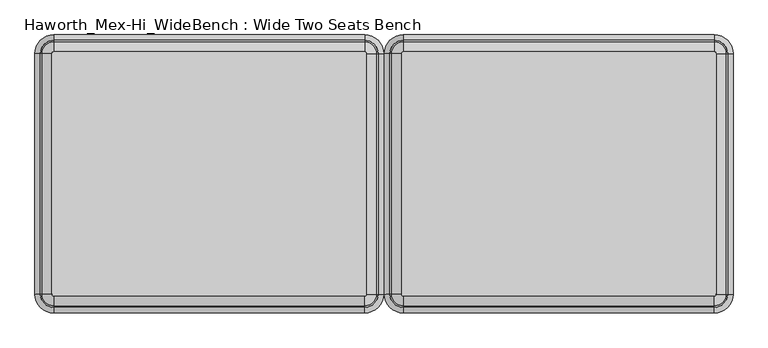
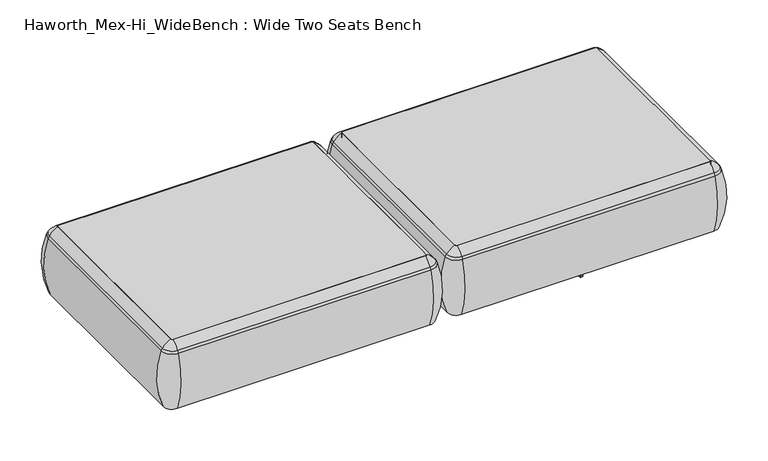
"""IFC4 building model written with IfcOpenShell, lengths in millimetres: furniture geometry, Haworth_Mex-Hi_WideBench : Wide Two Seats Bench."""

from ifc_helpers import new_model, si_unit, point, frame, frame_2d, origin, place, context, project, spatial, polyline, circle_curve, ellipse_curve, trimmed, segment, composite_curve, outline, extrude, source, transform, mapped, element, save
from ifc_brep_helpers import plane_surface, cylinder_surface, revolved_surface, advanced_brep


def haworth_mex_hi_widebench_wide_two_seats_bench_22a17a26(model_context):
    return source(origin(), model_context, "Body", "SolidModel", [
        extrude(outline(composite_curve([segment(trimmed(circle_curve(frame_2d((885.0815868, -668.4794123)), 5.2798073), [point((890.3613941, -668.4794123))], [point((885.0815868, -673.7592195))], False, "CARTESIAN"), True, "CONTINUOUS"), segment(polyline([(885.0815868, -673.7592195), (-94.0884132, -673.7592195)]), True, "CONTINUOUS"), segment(trimmed(circle_curve(frame_2d((-94.0884132, -668.4794123)), 5.2798073), [point((-94.0884132, -673.7592195))], [point((-99.3682204, -668.4794123))], False, "CARTESIAN"), True, "CONTINUOUS"), segment(polyline([(-99.3682204, -668.4794123), (-99.3682204, 89.8571486)]), True, "CONTINUOUS"), segment(trimmed(circle_curve(frame_2d((-94.0884132, 89.8571486)), 5.2798073), [point((-99.3682204, 89.8571486))], [point((-94.0884132, 95.1369558))], False, "CARTESIAN"), True, "CONTINUOUS"), segment(polyline([(-94.0884132, 95.1369558), (885.0815868, 95.1369558)]), True, "CONTINUOUS"), segment(trimmed(circle_curve(frame_2d((885.0815868, 89.8571486)), 5.2798073), [point((885.0815868, 95.1369558))], [point((890.3613941, 89.8571486))], False, "CARTESIAN"), True, "CONTINUOUS"), segment(polyline([(890.3613941, 89.8571486), (890.3613941, -668.4794123)]), True, "CONTINUOUS")], self_intersect=False)), frame((0.0, 0.0, 123.9999984), z_axis=(0.0, 0.0, 1.0), x_axis=(1.0, 0.0, 0.0)), (0.0, 0.0, 1.0), 266.3914023),
        advanced_brep(
        [(-99.3682204, -668.4794123, 390.3914007), (-94.0884132, -673.7592195, 390.3914007), (-94.0884132, -673.7592195, 123.9999984), (-99.3682204, -668.4794123, 123.9999984), (-128.0562646, -668.4794123, 123.9999984), (-94.0884132, -702.4472637, 123.9999984), (-94.0884132, -710.1267287, 353.7769053), (-135.7357296, -668.4794123, 353.7769053), (-99.3682204, 89.8571486, 123.9999984), (-99.3682204, 89.8571486, 390.3914007), (-135.7357296, 89.8571486, 353.7769053), (-128.0562646, 89.8571486, 123.9999984), (-94.0884132, 95.1369558, 390.3914007), (-94.0884132, 95.1369558, 123.9999984), (-94.0884132, 123.825, 123.9999984), (-94.0884132, 131.504465, 353.7769053), (885.0815868, 95.1369558, 123.9999984), (885.0815868, 95.1369558, 390.3914007), (885.0815868, 131.504465, 353.7769053), (885.0815868, 123.825, 123.9999984), (890.3613941, 89.8571486, 390.3914007), (890.3613941, 89.8571486, 123.9999984), (919.0494383, 89.8571486, 123.9999984), (926.7289033, 89.8571486, 353.7769053), (890.3613941, -668.4794123, 123.9999984), (890.3613941, -668.4794123, 390.3914007), (926.7289033, -668.4794123, 353.7769053), (919.0494383, -668.4794123, 123.9999984), (885.0815868, -673.7592195, 390.3914007), (885.0815868, -673.7592195, 123.9999984), (885.0815868, -702.4472637, 123.9999984), (885.0815868, -710.1267287, 353.7769053), (-130.5172697, -668.4794123, 363.6402875), (-94.0884132, -704.9082688, 363.6402875), (-130.5172697, 89.8571486, 363.6402875), (-94.0884132, 126.2860051, 363.6402875), (885.0815868, 126.2860051, 363.6402875), (921.5104434, 89.8571486, 363.6402875), (921.5104434, -668.4794123, 363.6402875), (885.0815868, -704.9082688, 363.6402875)],
        [
            (0, 1, circle_curve(frame((-94.0884132, -668.4794123, 390.3914007), z_axis=(0.0, 0.0, 1.0), x_axis=(0.0, -1.0, 0.0)), 5.2798073)),
            (1, 2),
            (2, 3, circle_curve(frame((-94.0884132, -668.4794123, 123.9999984), z_axis=(0.0, 0.0, -1.0), x_axis=(0.0, -1.0, 0.0)), 5.2798073)),
            (3, 0),
            (4, 5, circle_curve(frame((-94.0884132, -668.4794123, 123.9999984), z_axis=(0.0, 0.0, 1.0), x_axis=(0.0, -1.0, 0.0)), 33.9678514)),
            (5, 6, circle_curve(frame((-94.0884132, -406.0729797, 248.9220234), z_axis=(-1.0, 0.0, 0.0), x_axis=(0.0, -1.0, 0.0)), 321.625914)),
            (6, 7, circle_curve(frame((-94.0884132, -668.4794123, 353.7769053), z_axis=(0.0, 0.0, -1.0), x_axis=(0.0, -1.0, 0.0)), 41.6473165)),
            (7, 4, circle_curve(frame((168.3180194, -668.4794123, 248.9220234), z_axis=(0.0, -1.0, 0.0), x_axis=(-1.0, 0.0, 0.0)), 321.625914)),
            (3, 8),
            (8, 9),
            (9, 0),
            (7, 10),
            (10, 11, circle_curve(frame((168.3180194, 89.8571486, 248.9220234), z_axis=(0.0, -1.0, 0.0), x_axis=(-1.0, 0.0, 0.0)), 321.625914)),
            (11, 4),
            (12, 9, circle_curve(frame((-94.0884132, 89.8571486, 390.3914007), z_axis=(0.0, 0.0, 1.0), x_axis=(-1.0, 0.0, 0.0)), 5.2798073)),
            (8, 13, circle_curve(frame((-94.0884132, 89.8571486, 123.9999984), z_axis=(0.0, 0.0, -1.0), x_axis=(-1.0, 0.0, 0.0)), 5.2798073)),
            (13, 12),
            (14, 11, circle_curve(frame((-94.0884132, 89.8571486, 123.9999984), z_axis=(0.0, 0.0, 1.0), x_axis=(-1.0, 0.0, 0.0)), 33.9678514)),
            (10, 15, circle_curve(frame((-94.0884132, 89.8571486, 353.7769053), z_axis=(0.0, 0.0, -1.0), x_axis=(-1.0, 0.0, 0.0)), 41.6473165)),
            (15, 14, circle_curve(frame((-94.0884132, -172.549284, 248.9220234), z_axis=(-1.0, 0.0, 0.0), x_axis=(0.0, 1.0, 0.0)), 321.625914)),
            (13, 16),
            (16, 17),
            (17, 12),
            (15, 18),
            (18, 19, circle_curve(frame((885.0815868, -172.549284, 248.9220234), z_axis=(-1.0, 0.0, 0.0), x_axis=(0.0, 1.0, 0.0)), 321.625914)),
            (19, 14),
            (20, 17, circle_curve(frame((885.0815868, 89.8571486, 390.3914007), z_axis=(0.0, 0.0, 1.0), x_axis=(0.0, 1.0, 0.0)), 5.2798073)),
            (16, 21, circle_curve(frame((885.0815868, 89.8571486, 123.9999984), z_axis=(0.0, 0.0, -1.0), x_axis=(0.0, 1.0, 0.0)), 5.2798073)),
            (21, 20),
            (22, 19, circle_curve(frame((885.0815868, 89.8571486, 123.9999984), z_axis=(0.0, 0.0, 1.0), x_axis=(0.0, 1.0, 0.0)), 33.9678514)),
            (18, 23, circle_curve(frame((885.0815868, 89.8571486, 353.7769053), z_axis=(0.0, 0.0, -1.0), x_axis=(0.0, 1.0, 0.0)), 41.6473165)),
            (23, 22, circle_curve(frame((622.6751543, 89.8571486, 248.9220234), z_axis=(0.0, 1.0, 0.0), x_axis=(1.0, 0.0, 0.0)), 321.625914)),
            (21, 24),
            (24, 25),
            (25, 20),
            (23, 26),
            (26, 27, circle_curve(frame((622.6751543, -668.4794123, 248.9220234), z_axis=(0.0, 1.0, 0.0), x_axis=(1.0, 0.0, 0.0)), 321.625914)),
            (27, 22),
            (28, 25, circle_curve(frame((885.0815868, -668.4794123, 390.3914007), z_axis=(0.0, 0.0, 1.0), x_axis=(1.0, 0.0, 0.0)), 5.2798073)),
            (24, 29, circle_curve(frame((885.0815868, -668.4794123, 123.9999984), z_axis=(0.0, 0.0, -1.0), x_axis=(1.0, 0.0, 0.0)), 5.2798073)),
            (29, 28),
            (30, 27, circle_curve(frame((885.0815868, -668.4794123, 123.9999984), z_axis=(0.0, 0.0, 1.0), x_axis=(1.0, 0.0, 0.0)), 33.9678514)),
            (26, 31, circle_curve(frame((885.0815868, -668.4794123, 353.7769053), z_axis=(0.0, 0.0, -1.0), x_axis=(1.0, 0.0, 0.0)), 41.6473165)),
            (31, 30, circle_curve(frame((885.0815868, -406.0729797, 248.9220234), z_axis=(1.0, 0.0, 0.0), x_axis=(0.0, -1.0, 0.0)), 321.625914)),
            (30, 5),
            (2, 29),
            (1, 28),
            (31, 6),
            (32, 33, circle_curve(frame((-94.0884132, -668.4794123, 363.6402875), z_axis=(0.0, 0.0, 1.0), x_axis=(0.0, -1.0, 0.0)), 36.4288566)),
            (33, 1, circle_curve(frame((-94.0884132, -629.5266, 307.3762868), z_axis=(-1.0, 0.0, 0.0), x_axis=(0.0, -1.0, 0.0)), 94.0639876)),
            (0, 32, circle_curve(frame((-55.1356009, -668.4794123, 307.3762868), z_axis=(0.0, -1.0, 0.0), x_axis=(-1.0, 0.0, 0.0)), 94.0639876)),
            (6, 33, circle_curve(frame((-94.0884132, -675.8620096, 341.9604975), z_axis=(-1.0, 0.0, 0.0), x_axis=(0.0, -1.0, 0.0)), 36.2449785)),
            (32, 7, circle_curve(frame((-101.4710105, -668.4794123, 341.9604975), z_axis=(0.0, -1.0, 0.0), x_axis=(-1.0, 0.0, 0.0)), 36.2449785)),
            (9, 34, circle_curve(frame((-55.1356009, 89.8571486, 307.3762868), z_axis=(0.0, -1.0, 0.0), x_axis=(-1.0, 0.0, 0.0)), 94.0639876)),
            (34, 32),
            (34, 10, circle_curve(frame((-101.4710105, 89.8571486, 341.9604975), z_axis=(0.0, -1.0, 0.0), x_axis=(-1.0, 0.0, 0.0)), 36.2449785)),
            (35, 34, circle_curve(frame((-94.0884132, 89.8571486, 363.6402875), z_axis=(0.0, 0.0, 1.0), x_axis=(-1.0, 0.0, 0.0)), 36.4288566)),
            (12, 35, circle_curve(frame((-94.0884132, 50.9043363, 307.3762868), z_axis=(-1.0, 0.0, 0.0), x_axis=(0.0, 1.0, 0.0)), 94.0639876)),
            (35, 15, circle_curve(frame((-94.0884132, 97.2397459, 341.9604975), z_axis=(-1.0, 0.0, 0.0), x_axis=(0.0, 1.0, 0.0)), 36.2449785)),
            (17, 36, circle_curve(frame((885.0815868, 50.9043363, 307.3762868), z_axis=(-1.0, 0.0, 0.0), x_axis=(0.0, 1.0, 0.0)), 94.0639876)),
            (36, 35),
            (36, 18, circle_curve(frame((885.0815868, 97.2397459, 341.9604975), z_axis=(-1.0, 0.0, 0.0), x_axis=(0.0, 1.0, 0.0)), 36.2449785)),
            (37, 36, circle_curve(frame((885.0815868, 89.8571486, 363.6402875), z_axis=(0.0, 0.0, 1.0), x_axis=(0.0, 1.0, 0.0)), 36.4288566)),
            (20, 37, circle_curve(frame((846.1287746, 89.8571486, 307.3762868), z_axis=(0.0, 1.0, 0.0), x_axis=(1.0, 0.0, 0.0)), 94.0639876)),
            (37, 23, circle_curve(frame((892.4641842, 89.8571486, 341.9604975), z_axis=(0.0, 1.0, 0.0), x_axis=(1.0, 0.0, 0.0)), 36.2449785)),
            (25, 38, circle_curve(frame((846.1287746, -668.4794123, 307.3762868), z_axis=(0.0, 1.0, 0.0), x_axis=(1.0, 0.0, 0.0)), 94.0639876)),
            (38, 37),
            (38, 26, circle_curve(frame((892.4641842, -668.4794123, 341.9604975), z_axis=(0.0, 1.0, 0.0), x_axis=(1.0, 0.0, 0.0)), 36.2449785)),
            (39, 38, circle_curve(frame((885.0815868, -668.4794123, 363.6402875), z_axis=(0.0, 0.0, 1.0), x_axis=(1.0, 0.0, 0.0)), 36.4288566)),
            (28, 39, circle_curve(frame((885.0815868, -629.5266, 307.3762868), z_axis=(1.0, 0.0, 0.0), x_axis=(0.0, -1.0, 0.0)), 94.0639876)),
            (39, 31, circle_curve(frame((885.0815868, -675.8620096, 341.9604975), z_axis=(1.0, 0.0, 0.0), x_axis=(0.0, -1.0, 0.0)), 36.2449785)),
            (33, 39),
        ],
        [
            revolved_surface(polyline([(-94.0884132, -673.7592196, 123.9999984), (-94.0884132, -673.7592196, 390.3914007)]), (-94.0884132, -668.4794123, 0.0), (0.0, 0.0, -1.0)),
            revolved_surface(trimmed(ellipse_curve(frame((-94.0884132, -406.0729797, 248.9220234), z_axis=(1.0, 0.0, 0.0), x_axis=(0.0, -1.0, 0.0)), 321.625914, 321.625914), [point((-94.0884132, -710.1267287, 353.7769053))], [point((-94.0884132, -702.4472637, 123.9999984))], True, "CARTESIAN"), (-94.0884132, -668.4794123, 0.0), (0.0, 0.0, -1.0)),
            plane_surface(frame((-99.3682204, -668.4794123, 123.9999984), z_axis=(1.0, 0.0, 0.0), x_axis=(0.0, 1.0, 0.0))),
            cylinder_surface(frame((168.3180194, -668.4794123, 248.9220234), z_axis=(0.0, -1.0, 0.0), x_axis=(-1.0, 0.0, 0.0)), 321.625914),
            revolved_surface(polyline([(-99.3682205, 89.8571486, 123.9999984), (-99.3682205, 89.8571486, 390.3914007)]), (-94.0884132, 89.8571486, 0.0), (0.0, 0.0, -1.0)),
            revolved_surface(trimmed(ellipse_curve(frame((168.3180194, 89.8571486, 248.9220234), z_axis=(0.0, -1.0, 0.0), x_axis=(-1.0, 0.0, 0.0)), 321.625914, 321.625914), [point((-135.7357296, 89.8571486, 353.7769053))], [point((-128.0562646, 89.8571486, 123.9999984))], True, "CARTESIAN"), (-94.0884132, 89.8571486, 0.0), (0.0, 0.0, -1.0)),
            plane_surface(frame((-94.0884132, 95.1369558, 123.9999984), z_axis=(0.0, -1.0, 0.0), x_axis=(1.0, 0.0, 0.0))),
            cylinder_surface(frame((-94.0884132, -172.549284, 248.9220234), z_axis=(-1.0, 0.0, 0.0), x_axis=(0.0, 1.0, 0.0)), 321.625914),
            revolved_surface(polyline([(885.0815868, 95.1369559, 123.9999984), (885.0815868, 95.1369559, 390.3914007)]), (885.0815868, 89.8571486, 0.0), (0.0, 0.0, -1.0)),
            revolved_surface(trimmed(ellipse_curve(frame((885.0815868, -172.549284, 248.9220234), z_axis=(-1.0, 0.0, 0.0), x_axis=(0.0, 1.0, 0.0)), 321.625914, 321.625914), [point((885.0815868, 131.504465, 353.7769053))], [point((885.0815868, 123.825, 123.9999984))], True, "CARTESIAN"), (885.0815868, 89.8571486, 0.0), (0.0, 0.0, -1.0)),
            plane_surface(frame((890.3613941, 89.8571486, 123.9999984), z_axis=(-1.0, 0.0, 0.0), x_axis=(0.0, -1.0, 0.0))),
            cylinder_surface(frame((622.6751543, 89.8571486, 248.9220234), z_axis=(0.0, 1.0, 0.0), x_axis=(1.0, 0.0, 0.0)), 321.625914),
            revolved_surface(polyline([(890.3613941, -668.4794123, 123.9999984), (890.3613941, -668.4794123, 390.3914007)]), (885.0815868, -668.4794123, 0.0), (0.0, 0.0, -1.0)),
            revolved_surface(trimmed(ellipse_curve(frame((622.6751543, -668.4794123, 248.9220234), z_axis=(0.0, 1.0, 0.0), x_axis=(1.0, 0.0, 0.0)), 321.625914, 321.625914), [point((926.7289033, -668.4794123, 353.7769053))], [point((919.0494383, -668.4794123, 123.9999984))], True, "CARTESIAN"), (885.0815868, -668.4794123, 0.0), (0.0, 0.0, -1.0)),
            plane_surface(frame((885.0815868, -702.4472637, 123.9999984), z_axis=(0.0, 0.0, -1.0), x_axis=(-1.0, 0.0, 0.0))),
            plane_surface(frame((885.0815868, -673.7592195, 123.9999984), z_axis=(0.0, 1.0, 0.0), x_axis=(-1.0, 0.0, 0.0))),
            cylinder_surface(frame((885.0815868, -406.0729797, 248.9220234), z_axis=(1.0, 0.0, 0.0), x_axis=(0.0, -1.0, 0.0)), 321.625914),
            revolved_surface(trimmed(ellipse_curve(frame((-94.0884132, -629.5266, 307.3762868), z_axis=(1.0, 0.0, 0.0), x_axis=(0.0, -1.0, 0.0)), 94.0639876, 94.0639876), [point((-94.0884132, -673.7592195, 390.3914007))], [point((-94.0884132, -704.9082688, 363.6402875))], True, "CARTESIAN"), (-94.0884132, -668.4794123, 0.0), (0.0, 0.0, -1.0)),
            revolved_surface(trimmed(ellipse_curve(frame((-94.0884132, -675.8620096, 341.9604975), z_axis=(1.0, 0.0, 0.0), x_axis=(0.0, -1.0, 0.0)), 36.2449785, 36.2449785), [point((-94.0884132, -704.9082688, 363.6402875))], [point((-94.0884132, -710.1267287, 353.7769053))], True, "CARTESIAN"), (-94.0884132, -668.4794123, 0.0), (0.0, 0.0, -1.0)),
            cylinder_surface(frame((-55.1356009, -668.4794123, 307.3762868), z_axis=(0.0, -1.0, 0.0), x_axis=(-1.0, 0.0, 0.0)), 94.0639876),
            cylinder_surface(frame((-101.4710105, -668.4794123, 341.9604975), z_axis=(0.0, -1.0, 0.0), x_axis=(-1.0, 0.0, 0.0)), 36.2449785),
            revolved_surface(trimmed(ellipse_curve(frame((-55.1356009, 89.8571486, 307.3762868), z_axis=(0.0, -1.0, 0.0), x_axis=(-1.0, 0.0, 0.0)), 94.0639876, 94.0639876), [point((-99.3682204, 89.8571486, 390.3914007))], [point((-130.5172697, 89.8571486, 363.6402875))], True, "CARTESIAN"), (-94.0884132, 89.8571486, 0.0), (0.0, 0.0, -1.0)),
            revolved_surface(trimmed(ellipse_curve(frame((-101.4710105, 89.8571486, 341.9604975), z_axis=(0.0, -1.0, 0.0), x_axis=(-1.0, 0.0, 0.0)), 36.2449785, 36.2449785), [point((-130.5172697, 89.8571486, 363.6402875))], [point((-135.7357296, 89.8571486, 353.7769053))], True, "CARTESIAN"), (-94.0884132, 89.8571486, 0.0), (0.0, 0.0, -1.0)),
            cylinder_surface(frame((-94.0884132, 50.9043363, 307.3762868), z_axis=(-1.0, 0.0, 0.0), x_axis=(0.0, 1.0, 0.0)), 94.0639876),
            cylinder_surface(frame((-94.0884132, 97.2397459, 341.9604975), z_axis=(-1.0, 0.0, 0.0), x_axis=(0.0, 1.0, 0.0)), 36.2449785),
            revolved_surface(trimmed(ellipse_curve(frame((885.0815868, 50.9043363, 307.3762868), z_axis=(-1.0, 0.0, 0.0), x_axis=(0.0, 1.0, 0.0)), 94.0639876, 94.0639876), [point((885.0815868, 95.1369558, 390.3914007))], [point((885.0815868, 126.2860051, 363.6402875))], True, "CARTESIAN"), (885.0815868, 89.8571486, 0.0), (0.0, 0.0, -1.0)),
            revolved_surface(trimmed(ellipse_curve(frame((885.0815868, 97.2397459, 341.9604975), z_axis=(-1.0, 0.0, 0.0), x_axis=(0.0, 1.0, 0.0)), 36.2449785, 36.2449785), [point((885.0815868, 126.2860051, 363.6402875))], [point((885.0815868, 131.504465, 353.7769053))], True, "CARTESIAN"), (885.0815868, 89.8571486, 0.0), (0.0, 0.0, -1.0)),
            cylinder_surface(frame((846.1287746, 89.8571486, 307.3762868), z_axis=(0.0, 1.0, 0.0), x_axis=(1.0, 0.0, 0.0)), 94.0639876),
            cylinder_surface(frame((892.4641842, 89.8571486, 341.9604975), z_axis=(0.0, 1.0, 0.0), x_axis=(1.0, 0.0, 0.0)), 36.2449785),
            revolved_surface(trimmed(ellipse_curve(frame((846.1287746, -668.4794123, 307.3762868), z_axis=(0.0, 1.0, 0.0), x_axis=(1.0, 0.0, 0.0)), 94.0639876, 94.0639876), [point((890.3613941, -668.4794123, 390.3914007))], [point((921.5104434, -668.4794123, 363.6402875))], True, "CARTESIAN"), (885.0815868, -668.4794123, 0.0), (0.0, 0.0, -1.0)),
            revolved_surface(trimmed(ellipse_curve(frame((892.4641842, -668.4794123, 341.9604975), z_axis=(0.0, 1.0, 0.0), x_axis=(1.0, 0.0, 0.0)), 36.2449785, 36.2449785), [point((921.5104434, -668.4794123, 363.6402875))], [point((926.7289033, -668.4794123, 353.7769053))], True, "CARTESIAN"), (885.0815868, -668.4794123, 0.0), (0.0, 0.0, -1.0)),
            cylinder_surface(frame((885.0815868, -629.5266, 307.3762868), z_axis=(1.0, 0.0, 0.0), x_axis=(0.0, -1.0, 0.0)), 94.0639876),
            cylinder_surface(frame((885.0815868, -675.8620096, 341.9604975), z_axis=(1.0, 0.0, 0.0), x_axis=(0.0, -1.0, 0.0)), 36.2449785),
        ],
        [
            (0, [[1, 2, 3, 4]]),
            (1, [[5, 6, 7, 8]]),
            (2, [[-4, 9, 10, 11]]),
            (3, [[-8, 12, 13, 14]]),
            (4, [[15, -10, 16, 17]]),
            (5, [[18, -13, 19, 20]]),
            (6, [[-17, 21, 22, 23]]),
            (7, [[-20, 24, 25, 26]]),
            (8, [[27, -22, 28, 29]]),
            (9, [[30, -25, 31, 32]]),
            (10, [[-29, 33, 34, 35]]),
            (11, [[-32, 36, 37, 38]]),
            (12, [[39, -34, 40, 41]]),
            (13, [[42, -37, 43, 44]]),
            (14, [[-38, -42, 45, -5, -14, -18, -26, -30], [46, -40, -33, -28, -21, -16, -9, -3]]),
            (15, [[-41, -46, -2, 47]]),
            (16, [[-44, 48, -6, -45]]),
            (17, [[49, 50, -1, 51]]),
            (18, [[-7, 52, -49, 53]]),
            (19, [[-51, -11, 54, 55]]),
            (20, [[-53, -55, 56, -12]]),
            (21, [[57, -54, -15, 58]]),
            (22, [[-19, -56, -57, 59]]),
            (23, [[-58, -23, 60, 61]]),
            (24, [[-59, -61, 62, -24]]),
            (25, [[63, -60, -27, 64]]),
            (26, [[-31, -62, -63, 65]]),
            (27, [[-64, -35, 66, 67]]),
            (28, [[-65, -67, 68, -36]]),
            (29, [[69, -66, -39, 70]]),
            (30, [[-43, -68, -69, 71]]),
            (31, [[-70, -47, -50, 72]]),
            (32, [[-71, -72, -52, -48]]),
        ],
    ),
        extrude(outline(composite_curve([segment(trimmed(circle_curve(frame_2d((-215.0888998, -668.4794123)), 5.2798073), [point((-209.8090925, -668.4794123))], [point((-215.0888998, -673.7592195))], False, "CARTESIAN"), True, "CONTINUOUS"), segment(polyline([(-215.0888998, -673.7592195), (-1194.2588998, -673.7592195)]), True, "CONTINUOUS"), segment(trimmed(circle_curve(frame_2d((-1194.2588998, -668.4794123)), 5.2798073), [point((-1194.2588998, -673.7592195))], [point((-1199.538707, -668.4794123))], False, "CARTESIAN"), True, "CONTINUOUS"), segment(polyline([(-1199.538707, -668.4794123), (-1199.538707, 89.8571486)]), True, "CONTINUOUS"), segment(trimmed(circle_curve(frame_2d((-1194.2588998, 89.8571486)), 5.2798073), [point((-1199.538707, 89.8571486))], [point((-1194.2588998, 95.1369558))], False, "CARTESIAN"), True, "CONTINUOUS"), segment(polyline([(-1194.2588998, 95.1369558), (-215.0888998, 95.1369558)]), True, "CONTINUOUS"), segment(trimmed(circle_curve(frame_2d((-215.0888998, 89.8571486)), 5.2798073), [point((-215.0888998, 95.1369558))], [point((-209.8090925, 89.8571486))], False, "CARTESIAN"), True, "CONTINUOUS"), segment(polyline([(-209.8090925, 89.8571486), (-209.8090925, -668.4794123)]), True, "CONTINUOUS")], self_intersect=False)), frame((0.0, 0.0, 123.9999984), z_axis=(0.0, 0.0, 1.0), x_axis=(1.0, 0.0, 0.0)), (0.0, 0.0, 1.0), 266.3914023),
        advanced_brep(
        [(-1199.538707, -668.4794123, 390.3914007), (-1194.2588998, -673.7592195, 390.3914007), (-1194.2588998, -673.7592195, 123.9999984), (-1199.538707, -668.4794123, 123.9999984), (-1228.2267512, -668.4794123, 123.9999984), (-1194.2588998, -702.4472637, 123.9999984), (-1194.2588998, -710.1267287, 353.7769053), (-1235.9062162, -668.4794123, 353.7769053), (-1199.538707, 89.8571486, 123.9999984), (-1199.538707, 89.8571486, 390.3914007), (-1235.9062162, 89.8571486, 353.7769053), (-1228.2267512, 89.8571486, 123.9999984), (-1194.2588998, 95.1369558, 390.3914007), (-1194.2588998, 95.1369558, 123.9999984), (-1194.2588998, 123.825, 123.9999984), (-1194.2588998, 131.504465, 353.7769053), (-215.0888998, 95.1369558, 123.9999984), (-215.0888998, 95.1369558, 390.3914007), (-215.0888998, 131.504465, 353.7769053), (-215.0888998, 123.825, 123.9999984), (-209.8090925, 89.8571486, 390.3914007), (-209.8090925, 89.8571486, 123.9999984), (-181.1210483, 89.8571486, 123.9999984), (-173.4415833, 89.8571486, 353.7769053), (-209.8090925, -668.4794123, 123.9999984), (-209.8090925, -668.4794123, 390.3914007), (-173.4415833, -668.4794123, 353.7769053), (-181.1210483, -668.4794123, 123.9999984), (-215.0888998, -673.7592195, 390.3914007), (-215.0888998, -673.7592195, 123.9999984), (-215.0888998, -702.4472637, 123.9999984), (-215.0888998, -710.1267287, 353.7769053), (-1230.6877563, -668.4794123, 363.6402875), (-1194.2588998, -704.9082688, 363.6402875), (-1230.6877563, 89.8571486, 363.6402875), (-1194.2588998, 126.2860051, 363.6402875), (-215.0888998, 126.2860051, 363.6402875), (-178.6600432, 89.8571486, 363.6402875), (-178.6600432, -668.4794123, 363.6402875), (-215.0888998, -704.9082688, 363.6402875)],
        [
            (0, 1, circle_curve(frame((-1194.2588998, -668.4794123, 390.3914007), z_axis=(0.0, 0.0, 1.0), x_axis=(0.0, -1.0, 0.0)), 5.2798073)),
            (1, 2),
            (2, 3, circle_curve(frame((-1194.2588998, -668.4794123, 123.9999984), z_axis=(0.0, 0.0, -1.0), x_axis=(0.0, -1.0, 0.0)), 5.2798073)),
            (3, 0),
            (4, 5, circle_curve(frame((-1194.2588998, -668.4794123, 123.9999984), z_axis=(0.0, 0.0, 1.0), x_axis=(0.0, -1.0, 0.0)), 33.9678514)),
            (5, 6, circle_curve(frame((-1194.2588998, -406.0729797, 248.9220234), z_axis=(-1.0, 0.0, 0.0), x_axis=(0.0, -1.0, 0.0)), 321.625914)),
            (6, 7, circle_curve(frame((-1194.2588998, -668.4794123, 353.7769053), z_axis=(0.0, 0.0, -1.0), x_axis=(0.0, -1.0, 0.0)), 41.6473165)),
            (7, 4, circle_curve(frame((-931.8524672, -668.4794123, 248.9220234), z_axis=(0.0, -1.0, 0.0), x_axis=(-1.0, 0.0, 0.0)), 321.625914)),
            (3, 8),
            (8, 9),
            (9, 0),
            (7, 10),
            (10, 11, circle_curve(frame((-931.8524672, 89.8571486, 248.9220234), z_axis=(0.0, -1.0, 0.0), x_axis=(-1.0, 0.0, 0.0)), 321.625914)),
            (11, 4),
            (12, 9, circle_curve(frame((-1194.2588998, 89.8571486, 390.3914007), z_axis=(0.0, 0.0, 1.0), x_axis=(-1.0, 0.0, 0.0)), 5.2798073)),
            (8, 13, circle_curve(frame((-1194.2588998, 89.8571486, 123.9999984), z_axis=(0.0, 0.0, -1.0), x_axis=(-1.0, 0.0, 0.0)), 5.2798073)),
            (13, 12),
            (14, 11, circle_curve(frame((-1194.2588998, 89.8571486, 123.9999984), z_axis=(0.0, 0.0, 1.0), x_axis=(-1.0, 0.0, 0.0)), 33.9678514)),
            (10, 15, circle_curve(frame((-1194.2588998, 89.8571486, 353.7769053), z_axis=(0.0, 0.0, -1.0), x_axis=(-1.0, 0.0, 0.0)), 41.6473165)),
            (15, 14, circle_curve(frame((-1194.2588998, -172.549284, 248.9220234), z_axis=(-1.0, 0.0, 0.0), x_axis=(0.0, 1.0, 0.0)), 321.625914)),
            (13, 16),
            (16, 17),
            (17, 12),
            (15, 18),
            (18, 19, circle_curve(frame((-215.0888998, -172.549284, 248.9220234), z_axis=(-1.0, 0.0, 0.0), x_axis=(0.0, 1.0, 0.0)), 321.625914)),
            (19, 14),
            (20, 17, circle_curve(frame((-215.0888998, 89.8571486, 390.3914007), z_axis=(0.0, 0.0, 1.0), x_axis=(0.0, 1.0, 0.0)), 5.2798073)),
            (16, 21, circle_curve(frame((-215.0888998, 89.8571486, 123.9999984), z_axis=(0.0, 0.0, -1.0), x_axis=(0.0, 1.0, 0.0)), 5.2798073)),
            (21, 20),
            (22, 19, circle_curve(frame((-215.0888998, 89.8571486, 123.9999984), z_axis=(0.0, 0.0, 1.0), x_axis=(0.0, 1.0, 0.0)), 33.9678514)),
            (18, 23, circle_curve(frame((-215.0888998, 89.8571486, 353.7769053), z_axis=(0.0, 0.0, -1.0), x_axis=(0.0, 1.0, 0.0)), 41.6473165)),
            (23, 22, circle_curve(frame((-477.4953323, 89.8571486, 248.9220234), z_axis=(0.0, 1.0, 0.0), x_axis=(1.0, 0.0, 0.0)), 321.625914)),
            (21, 24),
            (24, 25),
            (25, 20),
            (23, 26),
            (26, 27, circle_curve(frame((-477.4953323, -668.4794123, 248.9220234), z_axis=(0.0, 1.0, 0.0), x_axis=(1.0, 0.0, 0.0)), 321.625914)),
            (27, 22),
            (28, 25, circle_curve(frame((-215.0888998, -668.4794123, 390.3914007), z_axis=(0.0, 0.0, 1.0), x_axis=(1.0, 0.0, 0.0)), 5.2798073)),
            (24, 29, circle_curve(frame((-215.0888998, -668.4794123, 123.9999984), z_axis=(0.0, 0.0, -1.0), x_axis=(1.0, 0.0, 0.0)), 5.2798073)),
            (29, 28),
            (30, 27, circle_curve(frame((-215.0888998, -668.4794123, 123.9999984), z_axis=(0.0, 0.0, 1.0), x_axis=(1.0, 0.0, 0.0)), 33.9678514)),
            (26, 31, circle_curve(frame((-215.0888998, -668.4794123, 353.7769053), z_axis=(0.0, 0.0, -1.0), x_axis=(1.0, 0.0, 0.0)), 41.6473165)),
            (31, 30, circle_curve(frame((-215.0888998, -406.0729797, 248.9220234), z_axis=(1.0, 0.0, 0.0), x_axis=(0.0, -1.0, 0.0)), 321.625914)),
            (30, 5),
            (2, 29),
            (1, 28),
            (31, 6),
            (32, 33, circle_curve(frame((-1194.2588998, -668.4794123, 363.6402875), z_axis=(0.0, 0.0, 1.0), x_axis=(0.0, -1.0, 0.0)), 36.4288566)),
            (33, 1, circle_curve(frame((-1194.2588998, -629.5266, 307.3762868), z_axis=(-1.0, 0.0, 0.0), x_axis=(0.0, -1.0, 0.0)), 94.0639876)),
            (0, 32, circle_curve(frame((-1155.3060875, -668.4794123, 307.3762868), z_axis=(0.0, -1.0, 0.0), x_axis=(-1.0, 0.0, 0.0)), 94.0639876)),
            (6, 33, circle_curve(frame((-1194.2588998, -675.8620096, 341.9604975), z_axis=(-1.0, 0.0, 0.0), x_axis=(0.0, -1.0, 0.0)), 36.2449785)),
            (32, 7, circle_curve(frame((-1201.6414971, -668.4794123, 341.9604975), z_axis=(0.0, -1.0, 0.0), x_axis=(-1.0, 0.0, 0.0)), 36.2449785)),
            (9, 34, circle_curve(frame((-1155.3060875, 89.8571486, 307.3762868), z_axis=(0.0, -1.0, 0.0), x_axis=(-1.0, 0.0, 0.0)), 94.0639876)),
            (34, 32),
            (34, 10, circle_curve(frame((-1201.6414971, 89.8571486, 341.9604975), z_axis=(0.0, -1.0, 0.0), x_axis=(-1.0, 0.0, 0.0)), 36.2449785)),
            (35, 34, circle_curve(frame((-1194.2588998, 89.8571486, 363.6402875), z_axis=(0.0, 0.0, 1.0), x_axis=(-1.0, 0.0, 0.0)), 36.4288566)),
            (12, 35, circle_curve(frame((-1194.2588998, 50.9043363, 307.3762868), z_axis=(-1.0, 0.0, 0.0), x_axis=(0.0, 1.0, 0.0)), 94.0639876)),
            (35, 15, circle_curve(frame((-1194.2588998, 97.2397459, 341.9604975), z_axis=(-1.0, 0.0, 0.0), x_axis=(0.0, 1.0, 0.0)), 36.2449785)),
            (17, 36, circle_curve(frame((-215.0888998, 50.9043363, 307.3762868), z_axis=(-1.0, 0.0, 0.0), x_axis=(0.0, 1.0, 0.0)), 94.0639876)),
            (36, 35),
            (36, 18, circle_curve(frame((-215.0888998, 97.2397459, 341.9604975), z_axis=(-1.0, 0.0, 0.0), x_axis=(0.0, 1.0, 0.0)), 36.2449785)),
            (37, 36, circle_curve(frame((-215.0888998, 89.8571486, 363.6402875), z_axis=(0.0, 0.0, 1.0), x_axis=(0.0, 1.0, 0.0)), 36.4288566)),
            (20, 37, circle_curve(frame((-254.041712, 89.8571486, 307.3762868), z_axis=(0.0, 1.0, 0.0), x_axis=(1.0, 0.0, 0.0)), 94.0639876)),
            (37, 23, circle_curve(frame((-207.7063024, 89.8571486, 341.9604975), z_axis=(0.0, 1.0, 0.0), x_axis=(1.0, 0.0, 0.0)), 36.2449785)),
            (25, 38, circle_curve(frame((-254.041712, -668.4794123, 307.3762868), z_axis=(0.0, 1.0, 0.0), x_axis=(1.0, 0.0, 0.0)), 94.0639876)),
            (38, 37),
            (38, 26, circle_curve(frame((-207.7063024, -668.4794123, 341.9604975), z_axis=(0.0, 1.0, 0.0), x_axis=(1.0, 0.0, 0.0)), 36.2449785)),
            (39, 38, circle_curve(frame((-215.0888998, -668.4794123, 363.6402875), z_axis=(0.0, 0.0, 1.0), x_axis=(1.0, 0.0, 0.0)), 36.4288566)),
            (28, 39, circle_curve(frame((-215.0888998, -629.5266, 307.3762868), z_axis=(1.0, 0.0, 0.0), x_axis=(0.0, -1.0, 0.0)), 94.0639876)),
            (39, 31, circle_curve(frame((-215.0888998, -675.8620096, 341.9604975), z_axis=(1.0, 0.0, 0.0), x_axis=(0.0, -1.0, 0.0)), 36.2449785)),
            (33, 39),
        ],
        [
            revolved_surface(polyline([(-1194.2588998, -673.7592196, 123.9999984), (-1194.2588998, -673.7592196, 390.3914007)]), (-1194.2588998, -668.4794123, 0.0), (0.0, 0.0, -1.0)),
            revolved_surface(trimmed(ellipse_curve(frame((-1194.2588998, -406.0729797, 248.9220234), z_axis=(1.0, 0.0, 0.0), x_axis=(0.0, -1.0, 0.0)), 321.625914, 321.625914), [point((-1194.2588998, -710.1267287, 353.7769053))], [point((-1194.2588998, -702.4472637, 123.9999984))], True, "CARTESIAN"), (-1194.2588998, -668.4794123, 0.0), (0.0, 0.0, -1.0)),
            plane_surface(frame((-1199.538707, -668.4794123, 123.9999984), z_axis=(1.0, 0.0, 0.0), x_axis=(0.0, 1.0, 0.0))),
            cylinder_surface(frame((-931.8524672, -668.4794123, 248.9220234), z_axis=(0.0, -1.0, 0.0), x_axis=(-1.0, 0.0, 0.0)), 321.625914),
            revolved_surface(polyline([(-1199.5387071, 89.8571486, 123.9999984), (-1199.5387071, 89.8571486, 390.3914007)]), (-1194.2588998, 89.8571486, 0.0), (0.0, 0.0, -1.0)),
            revolved_surface(trimmed(ellipse_curve(frame((-931.8524672, 89.8571486, 248.9220234), z_axis=(0.0, -1.0, 0.0), x_axis=(-1.0, 0.0, 0.0)), 321.625914, 321.625914), [point((-1235.9062162, 89.8571486, 353.7769053))], [point((-1228.2267512, 89.8571486, 123.9999984))], True, "CARTESIAN"), (-1194.2588998, 89.8571486, 0.0), (0.0, 0.0, -1.0)),
            plane_surface(frame((-1194.2588998, 95.1369558, 123.9999984), z_axis=(0.0, -1.0, 0.0), x_axis=(1.0, 0.0, 0.0))),
            cylinder_surface(frame((-1194.2588998, -172.549284, 248.9220234), z_axis=(-1.0, 0.0, 0.0), x_axis=(0.0, 1.0, 0.0)), 321.625914),
            revolved_surface(polyline([(-215.0888998, 95.1369559, 123.9999984), (-215.0888998, 95.1369559, 390.3914007)]), (-215.0888998, 89.8571486, 0.0), (0.0, 0.0, -1.0)),
            revolved_surface(trimmed(ellipse_curve(frame((-215.0888998, -172.549284, 248.9220234), z_axis=(-1.0, 0.0, 0.0), x_axis=(0.0, 1.0, 0.0)), 321.625914, 321.625914), [point((-215.0888998, 131.504465, 353.7769053))], [point((-215.0888998, 123.825, 123.9999984))], True, "CARTESIAN"), (-215.0888998, 89.8571486, 0.0), (0.0, 0.0, -1.0)),
            plane_surface(frame((-209.8090925, 89.8571486, 123.9999984), z_axis=(-1.0, 0.0, 0.0), x_axis=(0.0, -1.0, 0.0))),
            cylinder_surface(frame((-477.4953323, 89.8571486, 248.9220234), z_axis=(0.0, 1.0, 0.0), x_axis=(1.0, 0.0, 0.0)), 321.625914),
            revolved_surface(polyline([(-209.80909250000002, -668.4794123, 123.9999984), (-209.80909250000002, -668.4794123, 390.3914007)]), (-215.0888998, -668.4794123, 0.0), (0.0, 0.0, -1.0)),
            revolved_surface(trimmed(ellipse_curve(frame((-477.4953323, -668.4794123, 248.9220234), z_axis=(0.0, 1.0, 0.0), x_axis=(1.0, 0.0, 0.0)), 321.625914, 321.625914), [point((-173.4415833, -668.4794123, 353.7769053))], [point((-181.1210483, -668.4794123, 123.9999984))], True, "CARTESIAN"), (-215.0888998, -668.4794123, 0.0), (0.0, 0.0, -1.0)),
            plane_surface(frame((-215.0888998, -702.4472637, 123.9999984), z_axis=(0.0, 0.0, -1.0), x_axis=(-1.0, 0.0, 0.0))),
            plane_surface(frame((-215.0888998, -673.7592195, 123.9999984), z_axis=(0.0, 1.0, 0.0), x_axis=(-1.0, 0.0, 0.0))),
            cylinder_surface(frame((-215.0888998, -406.0729797, 248.9220234), z_axis=(1.0, 0.0, 0.0), x_axis=(0.0, -1.0, 0.0)), 321.625914),
            revolved_surface(trimmed(ellipse_curve(frame((-1194.2588998, -629.5266, 307.3762868), z_axis=(1.0, 0.0, 0.0), x_axis=(0.0, -1.0, 0.0)), 94.0639876, 94.0639876), [point((-1194.2588998, -673.7592195, 390.3914007))], [point((-1194.2588998, -704.9082688, 363.6402875))], True, "CARTESIAN"), (-1194.2588998, -668.4794123, 0.0), (0.0, 0.0, -1.0)),
            revolved_surface(trimmed(ellipse_curve(frame((-1194.2588998, -675.8620096, 341.9604975), z_axis=(1.0, 0.0, 0.0), x_axis=(0.0, -1.0, 0.0)), 36.2449785, 36.2449785), [point((-1194.2588998, -704.9082688, 363.6402875))], [point((-1194.2588998, -710.1267287, 353.7769053))], True, "CARTESIAN"), (-1194.2588998, -668.4794123, 0.0), (0.0, 0.0, -1.0)),
            cylinder_surface(frame((-1155.3060875, -668.4794123, 307.3762868), z_axis=(0.0, -1.0, 0.0), x_axis=(-1.0, 0.0, 0.0)), 94.0639876),
            cylinder_surface(frame((-1201.6414971, -668.4794123, 341.9604975), z_axis=(0.0, -1.0, 0.0), x_axis=(-1.0, 0.0, 0.0)), 36.2449785),
            revolved_surface(trimmed(ellipse_curve(frame((-1155.3060875, 89.8571486, 307.3762868), z_axis=(0.0, -1.0, 0.0), x_axis=(-1.0, 0.0, 0.0)), 94.0639876, 94.0639876), [point((-1199.538707, 89.8571486, 390.3914007))], [point((-1230.6877563, 89.8571486, 363.6402875))], True, "CARTESIAN"), (-1194.2588998, 89.8571486, 0.0), (0.0, 0.0, -1.0)),
            revolved_surface(trimmed(ellipse_curve(frame((-1201.6414971, 89.8571486, 341.9604975), z_axis=(0.0, -1.0, 0.0), x_axis=(-1.0, 0.0, 0.0)), 36.2449785, 36.2449785), [point((-1230.6877563, 89.8571486, 363.6402875))], [point((-1235.9062162, 89.8571486, 353.7769053))], True, "CARTESIAN"), (-1194.2588998, 89.8571486, 0.0), (0.0, 0.0, -1.0)),
            cylinder_surface(frame((-1194.2588998, 50.9043363, 307.3762868), z_axis=(-1.0, 0.0, 0.0), x_axis=(0.0, 1.0, 0.0)), 94.0639876),
            cylinder_surface(frame((-1194.2588998, 97.2397459, 341.9604975), z_axis=(-1.0, 0.0, 0.0), x_axis=(0.0, 1.0, 0.0)), 36.2449785),
            revolved_surface(trimmed(ellipse_curve(frame((-215.0888998, 50.9043363, 307.3762868), z_axis=(-1.0, 0.0, 0.0), x_axis=(0.0, 1.0, 0.0)), 94.0639876, 94.0639876), [point((-215.0888998, 95.1369558, 390.3914007))], [point((-215.0888998, 126.2860051, 363.6402875))], True, "CARTESIAN"), (-215.0888998, 89.8571486, 0.0), (0.0, 0.0, -1.0)),
            revolved_surface(trimmed(ellipse_curve(frame((-215.0888998, 97.2397459, 341.9604975), z_axis=(-1.0, 0.0, 0.0), x_axis=(0.0, 1.0, 0.0)), 36.2449785, 36.2449785), [point((-215.0888998, 126.2860051, 363.6402875))], [point((-215.0888998, 131.504465, 353.7769053))], True, "CARTESIAN"), (-215.0888998, 89.8571486, 0.0), (0.0, 0.0, -1.0)),
            cylinder_surface(frame((-254.041712, 89.8571486, 307.3762868), z_axis=(0.0, 1.0, 0.0), x_axis=(1.0, 0.0, 0.0)), 94.0639876),
            cylinder_surface(frame((-207.7063024, 89.8571486, 341.9604975), z_axis=(0.0, 1.0, 0.0), x_axis=(1.0, 0.0, 0.0)), 36.2449785),
            revolved_surface(trimmed(ellipse_curve(frame((-254.041712, -668.4794123, 307.3762868), z_axis=(0.0, 1.0, 0.0), x_axis=(1.0, 0.0, 0.0)), 94.0639876, 94.0639876), [point((-209.8090925, -668.4794123, 390.3914007))], [point((-178.6600432, -668.4794123, 363.6402875))], True, "CARTESIAN"), (-215.0888998, -668.4794123, 0.0), (0.0, 0.0, -1.0)),
            revolved_surface(trimmed(ellipse_curve(frame((-207.7063024, -668.4794123, 341.9604975), z_axis=(0.0, 1.0, 0.0), x_axis=(1.0, 0.0, 0.0)), 36.2449785, 36.2449785), [point((-178.6600432, -668.4794123, 363.6402875))], [point((-173.4415833, -668.4794123, 353.7769053))], True, "CARTESIAN"), (-215.0888998, -668.4794123, 0.0), (0.0, 0.0, -1.0)),
            cylinder_surface(frame((-215.0888998, -629.5266, 307.3762868), z_axis=(1.0, 0.0, 0.0), x_axis=(0.0, -1.0, 0.0)), 94.0639876),
            cylinder_surface(frame((-215.0888998, -675.8620096, 341.9604975), z_axis=(1.0, 0.0, 0.0), x_axis=(0.0, -1.0, 0.0)), 36.2449785),
        ],
        [
            (0, [[1, 2, 3, 4]]),
            (1, [[5, 6, 7, 8]]),
            (2, [[-4, 9, 10, 11]]),
            (3, [[-8, 12, 13, 14]]),
            (4, [[15, -10, 16, 17]]),
            (5, [[18, -13, 19, 20]]),
            (6, [[-17, 21, 22, 23]]),
            (7, [[-20, 24, 25, 26]]),
            (8, [[27, -22, 28, 29]]),
            (9, [[30, -25, 31, 32]]),
            (10, [[-29, 33, 34, 35]]),
            (11, [[-32, 36, 37, 38]]),
            (12, [[39, -34, 40, 41]]),
            (13, [[42, -37, 43, 44]]),
            (14, [[-38, -42, 45, -5, -14, -18, -26, -30], [46, -40, -33, -28, -21, -16, -9, -3]]),
            (15, [[-41, -46, -2, 47]]),
            (16, [[-44, 48, -6, -45]]),
            (17, [[49, 50, -1, 51]]),
            (18, [[-7, 52, -49, 53]]),
            (19, [[-51, -11, 54, 55]]),
            (20, [[-53, -55, 56, -12]]),
            (21, [[57, -54, -15, 58]]),
            (22, [[-19, -56, -57, 59]]),
            (23, [[-58, -23, 60, 61]]),
            (24, [[-59, -61, 62, -24]]),
            (25, [[63, -60, -27, 64]]),
            (26, [[-31, -62, -63, 65]]),
            (27, [[-64, -35, 66, 67]]),
            (28, [[-65, -67, 68, -36]]),
            (29, [[69, -66, -39, 70]]),
            (30, [[-43, -68, -69, 71]]),
            (31, [[-70, -47, -50, 72]]),
            (32, [[-71, -72, -52, -48]]),
        ],
    ),
        advanced_brep(
        [(373.838792, -633.9963447, 98.611642), (369.6162038, -641.3100819, 98.611642), (370.0141527, -642.4761133, 98.611642), (385.8334234, -669.8758983, 98.611642), (386.6442569, -670.8035397, 98.611642), (395.0894355, -670.8035397, 98.611642), (395.8939637, -669.7137583, 98.611642), (411.9962168, -642.2119553, 98.611642), (412.1174938, -641.3100836, 98.611642), (407.8949039, -633.9963432, 98.611642), (406.6861204, -633.7579584, 98.611642), (375.047572, -633.7579584, 98.611642), (400.2397227, -648.9168654, 98.611642), (381.3347108, -648.9168654, 98.611642), (373.838792, -633.9963447, 88.6531552), (375.047572, -633.7579584, 88.6531552), (406.6861204, -633.7579584, 88.6531552), (407.8949039, -633.9963432, 88.6531552), (412.1174938, -641.3100836, 88.6531552), (411.9962168, -642.2119553, 88.6531552), (395.8939637, -669.7137583, 88.6531552), (395.0894355, -670.8035397, 88.6531552), (386.6442569, -670.8035397, 88.6531552), (385.8334234, -669.8758983, 88.6531552), (370.0141527, -642.4761133, 88.6531552), (369.6162038, -641.3100819, 88.6531552), (381.3347108, -648.9168654, 103.6569541), (400.2397227, -648.9168654, 103.6569541)],
        [
            (0, 1, circle_curve(frame((392.09828, -649.4142898, 98.611642), z_axis=(0.0, 0.0, 1.0), x_axis=(1.0, 0.0, 0.0)), 23.8981576)),
            (1, 2, circle_curve(frame((370.5437624, -641.6444428, 98.611642), z_axis=(0.0, 0.0, 1.0), x_axis=(1.0, 0.0, 0.0)), 0.9859828)),
            (2, 3, circle_curve(frame((351.6187827, -671.3632053, 98.611642), z_axis=(0.0, 0.0, -1.0), x_axis=(1.0, 0.0, 0.0)), 34.246952)),
            (3, 4, circle_curve(frame((386.8184668, -669.8330785, 98.611642), z_axis=(0.0, 0.0, 1.0), x_axis=(1.0, 0.0, 0.0)), 0.9859736)),
            (4, 5, circle_curve(frame((390.8668462, -647.2809943, 98.611642), z_axis=(0.0, 0.0, 1.0), x_axis=(1.0, 0.0, 0.0)), 23.8985439)),
            (5, 6, circle_curve(frame((394.9152236, -669.8330671, 98.611642), z_axis=(0.0, 0.0, 1.0), x_axis=(1.0, 0.0, 0.0)), 0.9859852)),
            (6, 7, circle_curve(frame((430.1156373, -671.285662, 98.611642), z_axis=(0.0, 0.0, -1.0), x_axis=(1.0, 0.0, 0.0)), 34.2577557)),
            (7, 8, circle_curve(frame((411.1899324, -641.644442, 98.611642), z_axis=(0.0, 0.0, 1.0), x_axis=(1.0, 0.0, 0.0)), 0.9859847)),
            (8, 9, circle_curve(frame((389.6358034, -649.4140667, 98.611642), z_axis=(0.0, 0.0, 1.0), x_axis=(1.0, 0.0, 0.0)), 23.8977184)),
            (9, 10, circle_curve(frame((407.1415576, -634.632458, 98.611642), z_axis=(0.0, 0.0, 1.0), x_axis=(1.0, 0.0, 0.0)), 0.9859881)),
            (10, 11, circle_curve(frame((390.8668462, -603.3828618, 98.611642), z_axis=(0.0, 0.0, -1.0), x_axis=(1.0, 0.0, 0.0)), 34.2475683)),
            (11, 0, circle_curve(frame((374.5921369, -634.632454, 98.611642), z_axis=(0.0, 0.0, 1.0), x_axis=(1.0, 0.0, 0.0)), 0.9859835)),
            (12, 13, circle_curve(frame((390.7872168, -648.9168654, 98.611642), z_axis=(0.0, 0.0, -1.0), x_axis=(1.0, 0.0, 0.0)), 9.452506)),
            (13, 12, circle_curve(frame((390.7872168, -648.9168654, 98.611642), z_axis=(0.0, 0.0, -1.0), x_axis=(1.0, 0.0, 0.0)), 9.452506)),
            (14, 15, circle_curve(frame((374.5921369, -634.632454, 88.6531552), z_axis=(0.0, 0.0, -1.0), x_axis=(1.0, 0.0, 0.0)), 0.9859835)),
            (15, 16, circle_curve(frame((390.8668462, -603.3828618, 88.6531552), z_axis=(0.0, 0.0, 1.0), x_axis=(1.0, 0.0, 0.0)), 34.2475683)),
            (16, 17, circle_curve(frame((407.1415576, -634.632458, 88.6531552), z_axis=(0.0, 0.0, -1.0), x_axis=(1.0, 0.0, 0.0)), 0.9859881)),
            (17, 18, circle_curve(frame((389.6358034, -649.4140667, 88.6531552), z_axis=(0.0, 0.0, -1.0), x_axis=(1.0, 0.0, 0.0)), 23.8977184)),
            (18, 19, circle_curve(frame((411.1899324, -641.644442, 88.6531552), z_axis=(0.0, 0.0, -1.0), x_axis=(1.0, 0.0, 0.0)), 0.9859847)),
            (19, 20, circle_curve(frame((430.1156373, -671.285662, 88.6531552), z_axis=(0.0, 0.0, 1.0), x_axis=(1.0, 0.0, 0.0)), 34.2577557)),
            (20, 21, circle_curve(frame((394.9152236, -669.8330671, 88.6531552), z_axis=(0.0, 0.0, -1.0), x_axis=(1.0, 0.0, 0.0)), 0.9859852)),
            (21, 22, circle_curve(frame((390.8668462, -647.2809943, 88.6531552), z_axis=(0.0, 0.0, -1.0), x_axis=(1.0, 0.0, 0.0)), 23.8985439)),
            (22, 23, circle_curve(frame((386.8184668, -669.8330785, 88.6531552), z_axis=(0.0, 0.0, -1.0), x_axis=(1.0, 0.0, 0.0)), 0.9859736)),
            (23, 24, circle_curve(frame((351.6187827, -671.3632053, 88.6531552), z_axis=(0.0, 0.0, 1.0), x_axis=(1.0, 0.0, 0.0)), 34.246952)),
            (24, 25, circle_curve(frame((370.5437624, -641.6444428, 88.6531552), z_axis=(0.0, 0.0, -1.0), x_axis=(1.0, 0.0, 0.0)), 0.9859828)),
            (25, 14, circle_curve(frame((392.09828, -649.4142898, 88.6531552), z_axis=(0.0, 0.0, -1.0), x_axis=(1.0, 0.0, 0.0)), 23.8981576)),
            (26, 27, circle_curve(frame((390.7872168, -648.9168654, 103.6569541), z_axis=(0.0, 0.0, 1.0), x_axis=(1.0, 0.0, 0.0)), 9.452506)),
            (27, 26, circle_curve(frame((390.7872168, -648.9168654, 103.6569541), z_axis=(0.0, 0.0, 1.0), x_axis=(1.0, 0.0, 0.0)), 9.452506)),
            (0, 14),
            (25, 1),
            (24, 2),
            (23, 3),
            (22, 4),
            (21, 5),
            (20, 6),
            (19, 7),
            (18, 8),
            (17, 9),
            (16, 10),
            (15, 11),
            (26, 13),
            (12, 27),
        ],
        [
            plane_surface(frame((415.9964377, -649.4142898, 98.611642), z_axis=(0.0, 0.0, 1.0), x_axis=(0.0, 1.0, 0.0))),
            plane_surface(frame((415.9964377, -649.4142898, 88.6531552), z_axis=(0.0, 0.0, -1.0), x_axis=(0.0, -1.0, 0.0))),
            plane_surface(frame((400.2397227, -648.9168654, 103.6569541), z_axis=(0.0, 0.0, 1.0), x_axis=(0.0, 1.0, 0.0))),
            cylinder_surface(frame((392.09828, -649.4142898, 88.6531552), z_axis=(0.0, 0.0, 1.0), x_axis=(1.0, 0.0, 0.0)), 23.8981576),
            cylinder_surface(frame((370.5437624, -641.6444428, 88.6531552), z_axis=(0.0, 0.0, 1.0), x_axis=(1.0, 0.0, 0.0)), 0.9859828),
            revolved_surface(polyline([(385.8657347, -671.3632053, 88.6531552), (385.8657347, -671.3632053, 98.611642)]), (351.6187827, -671.3632053, 88.6531552), (0.0, 0.0, -1.0)),
            cylinder_surface(frame((386.8184668, -669.8330785, 88.6531552), z_axis=(0.0, 0.0, 1.0), x_axis=(1.0, 0.0, 0.0)), 0.9859736),
            cylinder_surface(frame((390.8668462, -647.2809943, 88.6531552), z_axis=(0.0, 0.0, 1.0), x_axis=(1.0, 0.0, 0.0)), 23.8985439),
            cylinder_surface(frame((394.9152236, -669.8330671, 88.6531552), z_axis=(0.0, 0.0, 1.0), x_axis=(1.0, 0.0, 0.0)), 0.9859852),
            revolved_surface(polyline([(464.373393, -671.285662, 88.6531552), (464.373393, -671.285662, 98.611642)]), (430.1156373, -671.285662, 88.6531552), (0.0, 0.0, -1.0)),
            cylinder_surface(frame((411.1899324, -641.644442, 88.6531552), z_axis=(0.0, 0.0, 1.0), x_axis=(1.0, 0.0, 0.0)), 0.9859847),
            cylinder_surface(frame((389.6358034, -649.4140667, 88.6531552), z_axis=(0.0, 0.0, 1.0), x_axis=(1.0, 0.0, 0.0)), 23.8977184),
            cylinder_surface(frame((407.1415576, -634.632458, 88.6531552), z_axis=(0.0, 0.0, 1.0), x_axis=(1.0, 0.0, 0.0)), 0.9859881),
            revolved_surface(polyline([(425.1144145, -603.3828618, 88.6531552), (425.1144145, -603.3828618, 98.611642)]), (390.8668462, -603.3828618, 88.6531552), (0.0, 0.0, -1.0)),
            cylinder_surface(frame((374.5921369, -634.632454, 88.6531552), z_axis=(0.0, 0.0, 1.0), x_axis=(1.0, 0.0, 0.0)), 0.9859835),
            cylinder_surface(frame((390.7872168, -648.9168654, 98.611642), z_axis=(0.0, 0.0, 1.0), x_axis=(1.0, 0.0, 0.0)), 9.452506),
        ],
        [
            (0, [[1, 2, 3, 4, 5, 6, 7, 8, 9, 10, 11, 12], [13, 14]]),
            (1, [[15, 16, 17, 18, 19, 20, 21, 22, 23, 24, 25, 26]]),
            (2, [[27, 28]]),
            (3, [[-1, 29, -26, 30]]),
            (4, [[-2, -30, -25, 31]]),
            (5, [[-3, -31, -24, 32]]),
            (6, [[-4, -32, -23, 33]]),
            (7, [[-5, -33, -22, 34]]),
            (8, [[-6, -34, -21, 35]]),
            (9, [[-7, -35, -20, 36]]),
            (10, [[-8, -36, -19, 37]]),
            (11, [[-9, -37, -18, 38]]),
            (12, [[-10, -38, -17, 39]]),
            (13, [[-11, -39, -16, 40]]),
            (14, [[-12, -40, -15, -29]]),
            (15, [[-27, 41, -13, 42]]),
            (15, [[-28, -42, -14, -41]]),
        ],
    ),
    ])


if __name__ == "__main__":
    model = new_model("IFC4")
    model_context = context("Model", 3, world=origin())
    ifc_project = project(units=[si_unit("LENGTHUNIT", "METRE", prefix="MILLI")], contexts=[model_context])
    site = spatial("IfcSite", under=ifc_project)
    building = spatial("IfcBuilding", under=site)
    placement = place(None, origin())
    haworth_mex_hi_widebench_wide_two_seats_bench_shape = haworth_mex_hi_widebench_wide_two_seats_bench_22a17a26(model_context)
    element("IfcFurniture", 1, ObjectType="Haworth_Mex-Hi_WideBench : Wide Two Seats Bench", at=placement, inside=building, context=model_context, shape_type="MappedRepresentation", body=[
        mapped(haworth_mex_hi_widebench_wide_two_seats_bench_shape, transform((0.0, 0.0, 0.0), x_axis=(1.0, 0.0, 0.0), y_axis=(0.0, 1.0, 0.0), z_axis=(0.0, 0.0, 1.0))),
    ])
    save(model, "model.ifc")
